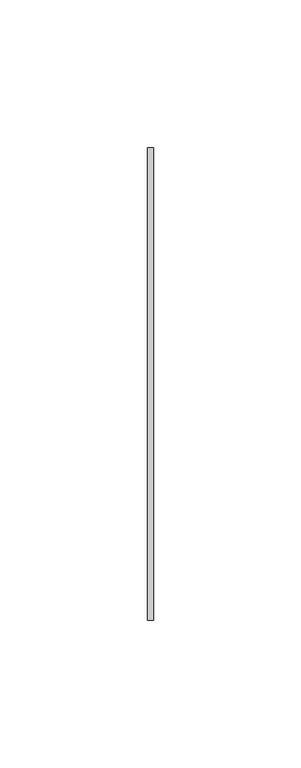
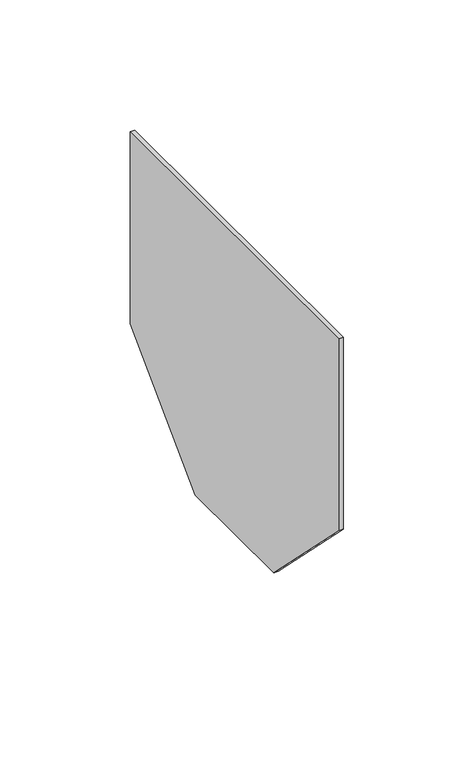
"""IFC4 building model written with IfcOpenShell, lengths in millimetres: proxy geometry."""

from ifc_helpers import new_model, si_unit, frame, origin, place, context, project, spatial, polyline, outline, extrude, source, transform, mapped, element, save


def generic_models_f480c939(model_context):
    return source(origin(), model_context, "Body", "SweptSolid", [
        extrude(outline(polyline([(79.9999982, -90.0), (29.9999982, -140.0), (-29.9999982, -140.0), (-79.9999982, -90.0), (-79.9999982, 0.0), (79.9999982, 0.0), (79.9999982, -90.0)])), frame((0.0, 0.0, 0.0), z_axis=(1.0, 0.0, 0.0), x_axis=(0.0, 1.0, 0.0)), (0.0, 0.0, 1.0), 2.0),
    ])


if __name__ == "__main__":
    model = new_model("IFC4")
    model_context = context("Model", 3, world=origin())
    ifc_project = project(units=[si_unit("LENGTHUNIT", "METRE", prefix="MILLI")], contexts=[model_context])
    site = spatial("IfcSite", under=ifc_project)
    building = spatial("IfcBuilding", under=site)
    placement = place(None, origin())
    generic_models_shape = generic_models_f480c939(model_context)
    element("IfcBuildingElementProxy", 1, Name="Generic Models", at=placement, inside=building, context=model_context, shape_type="MappedRepresentation", body=[
        mapped(generic_models_shape, transform((0.0, 0.0, 0.0), x_axis=(1.0, 0.0, 0.0), y_axis=(0.0, 1.0, 0.0), z_axis=(0.0, 0.0, 1.0))),
    ])
    save(model, "model.ifc")
